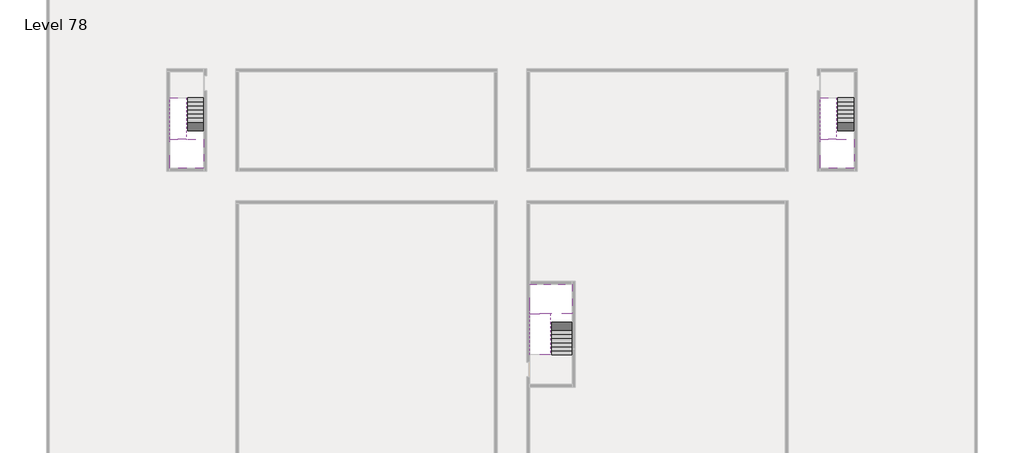
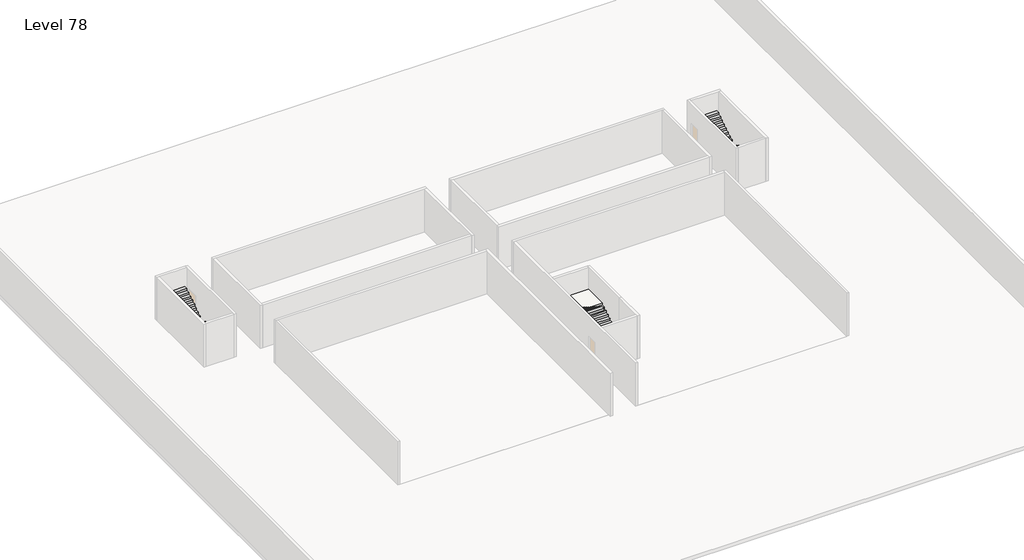
# One storey, part 2 of 2: 6 stair flights, 3 slabs.
"""IFC4 building model written with IfcOpenShell, lengths in millimetres."""

from ifc_helpers import new_model, si_unit, origin, place, context, project, spatial, faceted_brep, element, save

model = new_model("IFC4")

# Units and contexts
model_context = context("Model", 3, world=origin())
ifc_project = project(units=[si_unit("LENGTHUNIT", "METRE", prefix="MILLI")], contexts=[model_context])

# Site, building, storey
site = spatial("IfcSite", under=ifc_project)
building = spatial("IfcBuilding", under=site)
storey = spatial("IfcBuildingStorey", under=building, Name="Level 78", Elevation=292600.0)

# Slabs
placement = place(None, origin())
element("IfcSlab", 1, at=placement, inside=storey, context=model_context, shape_type="Brep", body=[
    faceted_brep([(3190.1058784, -28518.09644, 294500.0), (2090.1058784, -28518.09644, 294500.0), (1990.1058784, -28518.09644, 294500.0), (890.1058784, -28518.09644, 294500.0), (890.1058784, -28718.7100038, 294500.0), (890.1058784, -30518.09644, 294500.0), (3190.1058784, -30518.09644, 294500.0), (3190.1058784, -28597.4828763, 294500.0), (3190.1058784, -28518.09644, 294327.2727273), (3190.1058784, -28518.09644, 294151.0278478), (2090.1058784, -28518.09644, 294151.0278478), (2090.1058784, -28518.09644, 294200.0), (1990.1058784, -28518.09644, 294200.0), (1990.1058784, -28518.09644, 294323.7551205), (890.1058784, -28518.09644, 294323.7551205), (890.1058784, -28718.7100038, 294200.0), (890.1058784, -30518.09644, 294200.0), (3190.1058784, -30518.09644, 294200.0), (3190.1058784, -28597.4828763, 294200.0), (1990.1058784, -28718.7100038, 294200.0), (2090.1058784, -28597.4828763, 294200.0)], [[[0, 1, 2, 3, 4, 5, 6, 7]], [[1, 0, 8, 9, 10, 11]], [[2, 1, 11, 12, 13]], [[3, 2, 13, 14]], [[3, 14, 15, 16, 5, 4]], [[6, 5, 16, 17]], [[9, 8, 0, 7, 6, 17, 18]], [[19, 12, 11, 20, 18, 17, 16, 15]], [[12, 19, 13]], [[18, 20, 10, 9]], [[20, 11, 10]], [[19, 15, 14, 13]]]),
])
element("IfcSlab", 2, at=placement, inside=storey, context=model_context, shape_type="Brep", body=[
    faceted_brep([(47490.1058784, -28518.09644, 294500.0), (46390.1058784, -28518.09644, 294500.0), (46290.1058784, -28518.09644, 294500.0), (45190.1058784, -28518.09644, 294500.0), (45190.1058784, -28718.7100038, 294500.0), (45190.1058784, -30518.09644, 294500.0), (47490.1058784, -30518.09644, 294500.0), (47490.1058784, -28597.4828763, 294500.0), (47490.1058784, -28518.09644, 294327.2727273), (47490.1058784, -28518.09644, 294151.0278478), (46390.1058784, -28518.09644, 294151.0278478), (46390.1058784, -28518.09644, 294200.0), (46290.1058784, -28518.09644, 294200.0), (46290.1058784, -28518.09644, 294323.7551205), (45190.1058784, -28518.09644, 294323.7551205), (45190.1058784, -28718.7100038, 294200.0), (45190.1058784, -30518.09644, 294200.0), (47490.1058784, -30518.09644, 294200.0), (47490.1058784, -28597.4828763, 294200.0), (46290.1058784, -28718.7100038, 294200.0), (46390.1058784, -28597.4828763, 294200.0)], [[[0, 1, 2, 3, 4, 5, 6, 7]], [[1, 0, 8, 9, 10, 11]], [[2, 1, 11, 12, 13]], [[3, 2, 13, 14]], [[3, 14, 15, 16, 5, 4]], [[6, 5, 16, 17]], [[9, 8, 0, 7, 6, 17, 18]], [[19, 12, 11, 20, 18, 17, 16, 15]], [[12, 19, 13]], [[18, 20, 10, 9]], [[20, 11, 10]], [[19, 15, 14, 13]]]),
])
element("IfcSlab", 3, at=placement, inside=storey, context=model_context, shape_type="Brep", body=[
    faceted_brep([(26890.1058784, -40418.09644, 294500.0), (28290.1058784, -40418.09644, 294500.0), (28290.1058784, -40338.7100038, 294500.0), (28290.1058784, -38418.09644, 294500.0), (25390.1058784, -38418.09644, 294500.0), (25390.1058784, -40217.4828763, 294500.0), (25390.1058784, -40418.09644, 294500.0), (26790.1058784, -40418.09644, 294500.0), (26890.1058784, -40418.09644, 294200.0), (26890.1058784, -40418.09644, 294151.0278478), (28290.1058784, -40418.09644, 294151.0278478), (28290.1058784, -40418.09644, 294327.2727273), (28290.1058784, -40338.7100038, 294200.0), (28290.1058784, -38418.09644, 294200.0), (25390.1058784, -38418.09644, 294200.0), (25390.1058784, -40217.4828763, 294200.0), (25390.1058784, -40418.09644, 294323.7551205), (26790.1058784, -40418.09644, 294323.7551205), (26790.1058784, -40418.09644, 294200.0), (26790.1058784, -40217.4828763, 294200.0), (26890.1058784, -40338.7100038, 294200.0)], [[[0, 1, 2, 3, 4, 5, 6, 7]], [[1, 0, 8, 9, 10, 11]], [[1, 11, 10, 12, 13, 3, 2]], [[4, 3, 13, 14]], [[4, 14, 15, 16, 6, 5]], [[7, 6, 16, 17]], [[0, 7, 17, 18, 8]], [[18, 19, 15, 14, 13, 12, 20, 8]], [[19, 18, 17]], [[20, 12, 10, 9]], [[8, 20, 9]], [[15, 19, 17, 16]]]),
])

# Stair flights
element("IfcStairFlight", 4, at=placement, inside=storey, context=model_context, shape_type="Brep", body=[
    faceted_brep([(3190.1058784, -25998.09644, 292772.7272727), (3190.1058784, -25718.09644, 292772.7272727), (2090.1058784, -25718.09644, 292772.7272727), (2090.1058784, -25998.09644, 292772.7272727), (3190.1058784, -25998.09644, 292600.0), (3190.1058784, -25718.09644, 292600.0), (2090.1058784, -25718.09644, 292600.0), (2090.1058784, -25998.09644, 292600.0), (3190.1058784, -26278.09644, 292945.4545455), (3190.1058784, -25998.09644, 292945.4545455), (2090.1058784, -25998.09644, 292945.4545455), (2090.1058784, -26278.09644, 292945.4545455), (3190.1058784, -26278.09644, 292769.209666), (3190.1058784, -26003.7986657, 292600.0), (2090.1058784, -26003.7986657, 292600.0), (2090.1058784, -26278.09644, 292769.209666), (3190.1058784, -26558.09644, 293118.1818182), (3190.1058784, -26278.09644, 293118.1818182), (2090.1058784, -26278.09644, 293118.1818182), (2090.1058784, -26558.09644, 293118.1818182), (3190.1058784, -26558.09644, 292941.9369387), (2090.1058784, -26558.09644, 292941.9369387), (3190.1058784, -26838.09644, 293290.9090909), (3190.1058784, -26558.09644, 293290.9090909), (2090.1058784, -26558.09644, 293290.9090909), (2090.1058784, -26838.09644, 293290.9090909), (3190.1058784, -26838.09644, 293114.6642114), (2090.1058784, -26838.09644, 293114.6642114), (3190.1058784, -27118.09644, 293463.6363636), (3190.1058784, -26838.09644, 293463.6363636), (2090.1058784, -26838.09644, 293463.6363636), (2090.1058784, -27118.09644, 293463.6363636), (3190.1058784, -27118.09644, 293287.3914841), (2090.1058784, -27118.09644, 293287.3914841), (3190.1058784, -27398.09644, 293636.3636364), (3190.1058784, -27118.09644, 293636.3636364), (2090.1058784, -27118.09644, 293636.3636364), (2090.1058784, -27398.09644, 293636.3636364), (3190.1058784, -27398.09644, 293460.1187569), (2090.1058784, -27398.09644, 293460.1187569), (3190.1058784, -27678.09644, 293809.0909091), (3190.1058784, -27398.09644, 293809.0909091), (2090.1058784, -27398.09644, 293809.0909091), (2090.1058784, -27678.09644, 293809.0909091), (3190.1058784, -27678.09644, 293632.8460296), (2090.1058784, -27678.09644, 293632.8460296), (3190.1058784, -27958.09644, 293981.8181818), (3190.1058784, -27678.09644, 293981.8181818), (2090.1058784, -27678.09644, 293981.8181818), (2090.1058784, -27958.09644, 293981.8181818), (3190.1058784, -27958.09644, 293805.5733023), (2090.1058784, -27958.09644, 293805.5733023), (3190.1058784, -28238.09644, 294154.5454545), (3190.1058784, -27958.09644, 294154.5454545), (2090.1058784, -27958.09644, 294154.5454545), (2090.1058784, -28238.09644, 294154.5454545), (3190.1058784, -28238.09644, 293978.3005751), (2090.1058784, -28238.09644, 293978.3005751), (3190.1058784, -28518.09644, 294327.2727273), (3190.1058784, -28238.09644, 294327.2727273), (2090.1058784, -28238.09644, 294327.2727273), (2090.1058784, -28518.09644, 294327.2727273), (3190.1058784, -28518.09644, 294151.0278478), (2090.1058784, -28518.09644, 294151.0278478), (2090.1058784, -28518.09644, 294200.0)], [[[0, 1, 2, 3]], [[1, 0, 4, 5]], [[2, 1, 5, 6]], [[3, 2, 6, 7]], [[8, 9, 10, 11]], [[4, 0, 9, 8, 12, 13]], [[0, 3, 10, 9]], [[3, 7, 14, 15, 11, 10]], [[16, 17, 18, 19]], [[17, 16, 20, 12, 8]], [[8, 11, 18, 17]], [[19, 18, 11, 15, 21]], [[22, 23, 24, 25]], [[23, 22, 26, 20, 16]], [[16, 19, 24, 23]], [[25, 24, 19, 21, 27]], [[28, 29, 30, 31]], [[29, 28, 32, 26, 22]], [[22, 25, 30, 29]], [[31, 30, 25, 27, 33]], [[34, 35, 36, 37]], [[35, 34, 38, 32, 28]], [[28, 31, 36, 35]], [[37, 36, 31, 33, 39]], [[40, 41, 42, 43]], [[41, 40, 44, 38, 34]], [[34, 37, 42, 41]], [[43, 42, 37, 39, 45]], [[46, 47, 48, 49]], [[47, 46, 50, 44, 40]], [[40, 43, 48, 47]], [[49, 48, 43, 45, 51]], [[52, 53, 54, 55]], [[53, 52, 56, 50, 46]], [[46, 49, 54, 53]], [[55, 54, 49, 51, 57]], [[58, 59, 60, 61]], [[59, 58, 62, 56, 52]], [[52, 55, 60, 59]], [[61, 60, 55, 57, 63, 64]], [[58, 61, 64, 63, 62]], [[5, 4, 13, 14, 7, 6]], [[14, 13, 12, 20, 26, 32, 38, 44, 50, 56, 62, 63, 57, 51, 45, 39, 33, 27, 21, 15]]]),
])
element("IfcStairFlight", 5, at=placement, inside=storey, context=model_context, shape_type="Brep", body=[
    faceted_brep([(890.1058784, -28238.09644, 294672.7272727), (890.1058784, -28518.09644, 294672.7272727), (1990.1058784, -28518.09644, 294672.7272727), (1990.1058784, -28238.09644, 294672.7272727), (890.1058784, -28238.09644, 294496.4823932), (890.1058784, -28518.09644, 294323.7551205), (890.1058784, -28518.09644, 294500.0), (1990.1058784, -28518.09644, 294323.7551205), (1990.1058784, -28238.09644, 294496.4823932), (890.1058784, -27958.09644, 294845.4545455), (890.1058784, -28238.09644, 294845.4545455), (1990.1058784, -28238.09644, 294845.4545455), (1990.1058784, -27958.09644, 294845.4545455), (890.1058784, -27958.09644, 294669.209666), (1990.1058784, -27958.09644, 294669.209666), (890.1058784, -27678.09644, 295018.1818182), (890.1058784, -27958.09644, 295018.1818182), (1990.1058784, -27958.09644, 295018.1818182), (1990.1058784, -27678.09644, 295018.1818182), (890.1058784, -27678.09644, 294841.9369387), (1990.1058784, -27678.09644, 294841.9369387), (890.1058784, -27398.09644, 295190.9090909), (890.1058784, -27678.09644, 295190.9090909), (1990.1058784, -27678.09644, 295190.9090909), (1990.1058784, -27398.09644, 295190.9090909), (890.1058784, -27398.09644, 295014.6642114), (1990.1058784, -27398.09644, 295014.6642114), (890.1058784, -27118.09644, 295363.6363636), (890.1058784, -27398.09644, 295363.6363636), (1990.1058784, -27398.09644, 295363.6363636), (1990.1058784, -27118.09644, 295363.6363636), (890.1058784, -27118.09644, 295187.3914841), (1990.1058784, -27118.09644, 295187.3914841), (890.1058784, -26838.09644, 295536.3636364), (890.1058784, -27118.09644, 295536.3636364), (1990.1058784, -27118.09644, 295536.3636364), (1990.1058784, -26838.09644, 295536.3636364), (890.1058784, -26838.09644, 295360.1187569), (1990.1058784, -26838.09644, 295360.1187569), (890.1058784, -26558.09644, 295709.0909091), (890.1058784, -26838.09644, 295709.0909091), (1990.1058784, -26838.09644, 295709.0909091), (1990.1058784, -26558.09644, 295709.0909091), (890.1058784, -26558.09644, 295532.8460296), (1990.1058784, -26558.09644, 295532.8460296), (890.1058784, -26278.09644, 295881.8181818), (890.1058784, -26558.09644, 295881.8181818), (1990.1058784, -26558.09644, 295881.8181818), (1990.1058784, -26278.09644, 295881.8181818), (890.1058784, -26278.09644, 295705.5733023), (1990.1058784, -26278.09644, 295705.5733023), (890.1058784, -25998.09644, 296054.5454545), (890.1058784, -26278.09644, 296054.5454545), (1990.1058784, -26278.09644, 296054.5454545), (1990.1058784, -25998.09644, 296054.5454545), (890.1058784, -25998.09644, 295878.3005751), (1990.1058784, -25998.09644, 295878.3005751), (890.1058784, -25718.09644, 296227.2727273), (890.1058784, -25998.09644, 296227.2727273), (1990.1058784, -25998.09644, 296227.2727273), (1990.1058784, -25718.09644, 296227.2727273), (890.1058784, -25718.09644, 296051.0278478), (1990.1058784, -25718.09644, 296051.0278478)], [[[0, 1, 2, 3]], [[1, 0, 4, 5, 6]], [[2, 1, 6, 5, 7]], [[3, 2, 7, 8]], [[9, 10, 11, 12]], [[10, 9, 13, 4, 0]], [[11, 10, 0, 3]], [[12, 11, 3, 8, 14]], [[15, 16, 17, 18]], [[16, 15, 19, 13, 9]], [[17, 16, 9, 12]], [[18, 17, 12, 14, 20]], [[21, 22, 23, 24]], [[22, 21, 25, 19, 15]], [[23, 22, 15, 18]], [[24, 23, 18, 20, 26]], [[27, 28, 29, 30]], [[28, 27, 31, 25, 21]], [[29, 28, 21, 24]], [[30, 29, 24, 26, 32]], [[33, 34, 35, 36]], [[34, 33, 37, 31, 27]], [[35, 34, 27, 30]], [[36, 35, 30, 32, 38]], [[39, 40, 41, 42]], [[40, 39, 43, 37, 33]], [[41, 40, 33, 36]], [[42, 41, 36, 38, 44]], [[45, 46, 47, 48]], [[46, 45, 49, 43, 39]], [[47, 46, 39, 42]], [[48, 47, 42, 44, 50]], [[51, 52, 53, 54]], [[52, 51, 55, 49, 45]], [[53, 52, 45, 48]], [[54, 53, 48, 50, 56]], [[57, 58, 59, 60]], [[58, 57, 61, 55, 51]], [[59, 58, 51, 54]], [[60, 59, 54, 56, 62]], [[57, 60, 62, 61]], [[5, 4, 13, 19, 25, 31, 37, 43, 49, 55, 61, 62, 56, 50, 44, 38, 32, 26, 20, 14, 8, 7]]]),
])
element("IfcStairFlight", 6, at=placement, inside=storey, context=model_context, shape_type="Brep", body=[
    faceted_brep([(47490.1058784, -25998.09644, 292772.7272727), (47490.1058784, -25718.09644, 292772.7272727), (46390.1058784, -25718.09644, 292772.7272727), (46390.1058784, -25998.09644, 292772.7272727), (47490.1058784, -25998.09644, 292600.0), (47490.1058784, -25718.09644, 292600.0), (46390.1058784, -25718.09644, 292600.0), (46390.1058784, -25998.09644, 292600.0), (47490.1058784, -26278.09644, 292945.4545455), (47490.1058784, -25998.09644, 292945.4545455), (46390.1058784, -25998.09644, 292945.4545455), (46390.1058784, -26278.09644, 292945.4545455), (47490.1058784, -26278.09644, 292769.209666), (47490.1058784, -26003.7986657, 292600.0), (46390.1058784, -26003.7986657, 292600.0), (46390.1058784, -26278.09644, 292769.209666), (47490.1058784, -26558.09644, 293118.1818182), (47490.1058784, -26278.09644, 293118.1818182), (46390.1058784, -26278.09644, 293118.1818182), (46390.1058784, -26558.09644, 293118.1818182), (47490.1058784, -26558.09644, 292941.9369387), (46390.1058784, -26558.09644, 292941.9369387), (47490.1058784, -26838.09644, 293290.9090909), (47490.1058784, -26558.09644, 293290.9090909), (46390.1058784, -26558.09644, 293290.9090909), (46390.1058784, -26838.09644, 293290.9090909), (47490.1058784, -26838.09644, 293114.6642114), (46390.1058784, -26838.09644, 293114.6642114), (47490.1058784, -27118.09644, 293463.6363636), (47490.1058784, -26838.09644, 293463.6363636), (46390.1058784, -26838.09644, 293463.6363636), (46390.1058784, -27118.09644, 293463.6363636), (47490.1058784, -27118.09644, 293287.3914841), (46390.1058784, -27118.09644, 293287.3914841), (47490.1058784, -27398.09644, 293636.3636364), (47490.1058784, -27118.09644, 293636.3636364), (46390.1058784, -27118.09644, 293636.3636364), (46390.1058784, -27398.09644, 293636.3636364), (47490.1058784, -27398.09644, 293460.1187569), (46390.1058784, -27398.09644, 293460.1187569), (47490.1058784, -27678.09644, 293809.0909091), (47490.1058784, -27398.09644, 293809.0909091), (46390.1058784, -27398.09644, 293809.0909091), (46390.1058784, -27678.09644, 293809.0909091), (47490.1058784, -27678.09644, 293632.8460296), (46390.1058784, -27678.09644, 293632.8460296), (47490.1058784, -27958.09644, 293981.8181818), (47490.1058784, -27678.09644, 293981.8181818), (46390.1058784, -27678.09644, 293981.8181818), (46390.1058784, -27958.09644, 293981.8181818), (47490.1058784, -27958.09644, 293805.5733023), (46390.1058784, -27958.09644, 293805.5733023), (47490.1058784, -28238.09644, 294154.5454545), (47490.1058784, -27958.09644, 294154.5454545), (46390.1058784, -27958.09644, 294154.5454545), (46390.1058784, -28238.09644, 294154.5454545), (47490.1058784, -28238.09644, 293978.3005751), (46390.1058784, -28238.09644, 293978.3005751), (47490.1058784, -28518.09644, 294327.2727273), (47490.1058784, -28238.09644, 294327.2727273), (46390.1058784, -28238.09644, 294327.2727273), (46390.1058784, -28518.09644, 294327.2727273), (47490.1058784, -28518.09644, 294151.0278478), (46390.1058784, -28518.09644, 294151.0278478), (46390.1058784, -28518.09644, 294200.0)], [[[0, 1, 2, 3]], [[1, 0, 4, 5]], [[2, 1, 5, 6]], [[3, 2, 6, 7]], [[8, 9, 10, 11]], [[4, 0, 9, 8, 12, 13]], [[0, 3, 10, 9]], [[3, 7, 14, 15, 11, 10]], [[16, 17, 18, 19]], [[17, 16, 20, 12, 8]], [[8, 11, 18, 17]], [[19, 18, 11, 15, 21]], [[22, 23, 24, 25]], [[23, 22, 26, 20, 16]], [[16, 19, 24, 23]], [[25, 24, 19, 21, 27]], [[28, 29, 30, 31]], [[29, 28, 32, 26, 22]], [[22, 25, 30, 29]], [[31, 30, 25, 27, 33]], [[34, 35, 36, 37]], [[35, 34, 38, 32, 28]], [[28, 31, 36, 35]], [[37, 36, 31, 33, 39]], [[40, 41, 42, 43]], [[41, 40, 44, 38, 34]], [[34, 37, 42, 41]], [[43, 42, 37, 39, 45]], [[46, 47, 48, 49]], [[47, 46, 50, 44, 40]], [[40, 43, 48, 47]], [[49, 48, 43, 45, 51]], [[52, 53, 54, 55]], [[53, 52, 56, 50, 46]], [[46, 49, 54, 53]], [[55, 54, 49, 51, 57]], [[58, 59, 60, 61]], [[59, 58, 62, 56, 52]], [[52, 55, 60, 59]], [[61, 60, 55, 57, 63, 64]], [[58, 61, 64, 63, 62]], [[5, 4, 13, 14, 7, 6]], [[14, 13, 12, 20, 26, 32, 38, 44, 50, 56, 62, 63, 57, 51, 45, 39, 33, 27, 21, 15]]]),
])
element("IfcStairFlight", 7, at=placement, inside=storey, context=model_context, shape_type="Brep", body=[
    faceted_brep([(45190.1058784, -28238.09644, 294672.7272727), (45190.1058784, -28518.09644, 294672.7272727), (46290.1058784, -28518.09644, 294672.7272727), (46290.1058784, -28238.09644, 294672.7272727), (45190.1058784, -28238.09644, 294496.4823932), (45190.1058784, -28518.09644, 294323.7551205), (45190.1058784, -28518.09644, 294500.0), (46290.1058784, -28518.09644, 294323.7551205), (46290.1058784, -28238.09644, 294496.4823932), (45190.1058784, -27958.09644, 294845.4545455), (45190.1058784, -28238.09644, 294845.4545455), (46290.1058784, -28238.09644, 294845.4545455), (46290.1058784, -27958.09644, 294845.4545455), (45190.1058784, -27958.09644, 294669.209666), (46290.1058784, -27958.09644, 294669.209666), (45190.1058784, -27678.09644, 295018.1818182), (45190.1058784, -27958.09644, 295018.1818182), (46290.1058784, -27958.09644, 295018.1818182), (46290.1058784, -27678.09644, 295018.1818182), (45190.1058784, -27678.09644, 294841.9369387), (46290.1058784, -27678.09644, 294841.9369387), (45190.1058784, -27398.09644, 295190.9090909), (45190.1058784, -27678.09644, 295190.9090909), (46290.1058784, -27678.09644, 295190.9090909), (46290.1058784, -27398.09644, 295190.9090909), (45190.1058784, -27398.09644, 295014.6642114), (46290.1058784, -27398.09644, 295014.6642114), (45190.1058784, -27118.09644, 295363.6363636), (45190.1058784, -27398.09644, 295363.6363636), (46290.1058784, -27398.09644, 295363.6363636), (46290.1058784, -27118.09644, 295363.6363636), (45190.1058784, -27118.09644, 295187.3914841), (46290.1058784, -27118.09644, 295187.3914841), (45190.1058784, -26838.09644, 295536.3636364), (45190.1058784, -27118.09644, 295536.3636364), (46290.1058784, -27118.09644, 295536.3636364), (46290.1058784, -26838.09644, 295536.3636364), (45190.1058784, -26838.09644, 295360.1187569), (46290.1058784, -26838.09644, 295360.1187569), (45190.1058784, -26558.09644, 295709.0909091), (45190.1058784, -26838.09644, 295709.0909091), (46290.1058784, -26838.09644, 295709.0909091), (46290.1058784, -26558.09644, 295709.0909091), (45190.1058784, -26558.09644, 295532.8460296), (46290.1058784, -26558.09644, 295532.8460296), (45190.1058784, -26278.09644, 295881.8181818), (45190.1058784, -26558.09644, 295881.8181818), (46290.1058784, -26558.09644, 295881.8181818), (46290.1058784, -26278.09644, 295881.8181818), (45190.1058784, -26278.09644, 295705.5733023), (46290.1058784, -26278.09644, 295705.5733023), (45190.1058784, -25998.09644, 296054.5454545), (45190.1058784, -26278.09644, 296054.5454545), (46290.1058784, -26278.09644, 296054.5454545), (46290.1058784, -25998.09644, 296054.5454545), (45190.1058784, -25998.09644, 295878.3005751), (46290.1058784, -25998.09644, 295878.3005751), (45190.1058784, -25718.09644, 296227.2727273), (45190.1058784, -25998.09644, 296227.2727273), (46290.1058784, -25998.09644, 296227.2727273), (46290.1058784, -25718.09644, 296227.2727273), (45190.1058784, -25718.09644, 296051.0278478), (46290.1058784, -25718.09644, 296051.0278478)], [[[0, 1, 2, 3]], [[1, 0, 4, 5, 6]], [[2, 1, 6, 5, 7]], [[3, 2, 7, 8]], [[9, 10, 11, 12]], [[10, 9, 13, 4, 0]], [[11, 10, 0, 3]], [[12, 11, 3, 8, 14]], [[15, 16, 17, 18]], [[16, 15, 19, 13, 9]], [[17, 16, 9, 12]], [[18, 17, 12, 14, 20]], [[21, 22, 23, 24]], [[22, 21, 25, 19, 15]], [[23, 22, 15, 18]], [[24, 23, 18, 20, 26]], [[27, 28, 29, 30]], [[28, 27, 31, 25, 21]], [[29, 28, 21, 24]], [[30, 29, 24, 26, 32]], [[33, 34, 35, 36]], [[34, 33, 37, 31, 27]], [[35, 34, 27, 30]], [[36, 35, 30, 32, 38]], [[39, 40, 41, 42]], [[40, 39, 43, 37, 33]], [[41, 40, 33, 36]], [[42, 41, 36, 38, 44]], [[45, 46, 47, 48]], [[46, 45, 49, 43, 39]], [[47, 46, 39, 42]], [[48, 47, 42, 44, 50]], [[51, 52, 53, 54]], [[52, 51, 55, 49, 45]], [[53, 52, 45, 48]], [[54, 53, 48, 50, 56]], [[57, 58, 59, 60]], [[58, 57, 61, 55, 51]], [[59, 58, 51, 54]], [[60, 59, 54, 56, 62]], [[57, 60, 62, 61]], [[5, 4, 13, 19, 25, 31, 37, 43, 49, 55, 61, 62, 56, 50, 44, 38, 32, 26, 20, 14, 8, 7]]]),
])
element("IfcStairFlight", 8, at=placement, inside=storey, context=model_context, shape_type="Brep", body=[
    faceted_brep([(26890.1058784, -42938.09644, 292772.7272727), (26890.1058784, -43218.09644, 292772.7272727), (28290.1058784, -43218.09644, 292772.7272727), (28290.1058784, -42938.09644, 292772.7272727), (26890.1058784, -42938.09644, 292600.0), (26890.1058784, -43218.09644, 292600.0), (28290.1058784, -43218.09644, 292600.0), (28290.1058784, -42938.09644, 292600.0), (26890.1058784, -42658.09644, 292945.4545455), (26890.1058784, -42938.09644, 292945.4545455), (28290.1058784, -42938.09644, 292945.4545455), (28290.1058784, -42658.09644, 292945.4545455), (26890.1058784, -42658.09644, 292769.209666), (26890.1058784, -42932.3942143, 292600.0), (28290.1058784, -42932.3942143, 292600.0), (28290.1058784, -42658.09644, 292769.209666), (26890.1058784, -42378.09644, 293118.1818182), (26890.1058784, -42658.09644, 293118.1818182), (28290.1058784, -42658.09644, 293118.1818182), (28290.1058784, -42378.09644, 293118.1818182), (26890.1058784, -42378.09644, 292941.9369387), (28290.1058784, -42378.09644, 292941.9369387), (26890.1058784, -42098.09644, 293290.9090909), (26890.1058784, -42378.09644, 293290.9090909), (28290.1058784, -42378.09644, 293290.9090909), (28290.1058784, -42098.09644, 293290.9090909), (26890.1058784, -42098.09644, 293114.6642114), (28290.1058784, -42098.09644, 293114.6642114), (26890.1058784, -41818.09644, 293463.6363636), (26890.1058784, -42098.09644, 293463.6363636), (28290.1058784, -42098.09644, 293463.6363636), (28290.1058784, -41818.09644, 293463.6363636), (26890.1058784, -41818.09644, 293287.3914841), (28290.1058784, -41818.09644, 293287.3914841), (26890.1058784, -41538.09644, 293636.3636364), (26890.1058784, -41818.09644, 293636.3636364), (28290.1058784, -41818.09644, 293636.3636364), (28290.1058784, -41538.09644, 293636.3636364), (26890.1058784, -41538.09644, 293460.1187569), (28290.1058784, -41538.09644, 293460.1187569), (26890.1058784, -41258.09644, 293809.0909091), (26890.1058784, -41538.09644, 293809.0909091), (28290.1058784, -41538.09644, 293809.0909091), (28290.1058784, -41258.09644, 293809.0909091), (26890.1058784, -41258.09644, 293632.8460296), (28290.1058784, -41258.09644, 293632.8460296), (26890.1058784, -40978.09644, 293981.8181818), (26890.1058784, -41258.09644, 293981.8181818), (28290.1058784, -41258.09644, 293981.8181818), (28290.1058784, -40978.09644, 293981.8181818), (26890.1058784, -40978.09644, 293805.5733023), (28290.1058784, -40978.09644, 293805.5733023), (26890.1058784, -40698.09644, 294154.5454545), (26890.1058784, -40978.09644, 294154.5454545), (28290.1058784, -40978.09644, 294154.5454545), (28290.1058784, -40698.09644, 294154.5454545), (26890.1058784, -40698.09644, 293978.3005751), (28290.1058784, -40698.09644, 293978.3005751), (26890.1058784, -40418.09644, 294327.2727273), (26890.1058784, -40698.09644, 294327.2727273), (28290.1058784, -40698.09644, 294327.2727273), (28290.1058784, -40418.09644, 294327.2727273), (26890.1058784, -40418.09644, 294200.0), (26890.1058784, -40418.09644, 294151.0278478), (28290.1058784, -40418.09644, 294151.0278478)], [[[0, 1, 2, 3]], [[1, 0, 4, 5]], [[2, 1, 5, 6]], [[3, 2, 6, 7]], [[8, 9, 10, 11]], [[4, 0, 9, 8, 12, 13]], [[0, 3, 10, 9]], [[3, 7, 14, 15, 11, 10]], [[16, 17, 18, 19]], [[17, 16, 20, 12, 8]], [[8, 11, 18, 17]], [[19, 18, 11, 15, 21]], [[22, 23, 24, 25]], [[23, 22, 26, 20, 16]], [[16, 19, 24, 23]], [[25, 24, 19, 21, 27]], [[28, 29, 30, 31]], [[29, 28, 32, 26, 22]], [[22, 25, 30, 29]], [[31, 30, 25, 27, 33]], [[34, 35, 36, 37]], [[35, 34, 38, 32, 28]], [[28, 31, 36, 35]], [[37, 36, 31, 33, 39]], [[40, 41, 42, 43]], [[41, 40, 44, 38, 34]], [[34, 37, 42, 41]], [[43, 42, 37, 39, 45]], [[46, 47, 48, 49]], [[47, 46, 50, 44, 40]], [[40, 43, 48, 47]], [[49, 48, 43, 45, 51]], [[52, 53, 54, 55]], [[53, 52, 56, 50, 46]], [[46, 49, 54, 53]], [[55, 54, 49, 51, 57]], [[58, 59, 60, 61]], [[59, 58, 62, 63, 56, 52]], [[52, 55, 60, 59]], [[61, 60, 55, 57, 64]], [[58, 61, 64, 63, 62]], [[5, 4, 13, 14, 7, 6]], [[14, 13, 12, 20, 26, 32, 38, 44, 50, 56, 63, 64, 57, 51, 45, 39, 33, 27, 21, 15]]]),
])
element("IfcStairFlight", 9, at=placement, inside=storey, context=model_context, shape_type="Brep", body=[
    faceted_brep([(26790.1058784, -40698.09644, 294672.7272727), (26790.1058784, -40418.09644, 294672.7272727), (25390.1058784, -40418.09644, 294672.7272727), (25390.1058784, -40698.09644, 294672.7272727), (26790.1058784, -40698.09644, 294496.4823932), (26790.1058784, -40418.09644, 294323.7551205), (25390.1058784, -40418.09644, 294323.7551205), (25390.1058784, -40418.09644, 294500.0), (25390.1058784, -40698.09644, 294496.4823932), (26790.1058784, -40978.09644, 294845.4545455), (26790.1058784, -40698.09644, 294845.4545455), (25390.1058784, -40698.09644, 294845.4545455), (25390.1058784, -40978.09644, 294845.4545455), (26790.1058784, -40978.09644, 294669.209666), (25390.1058784, -40978.09644, 294669.209666), (26790.1058784, -41258.09644, 295018.1818182), (26790.1058784, -40978.09644, 295018.1818182), (25390.1058784, -40978.09644, 295018.1818182), (25390.1058784, -41258.09644, 295018.1818182), (26790.1058784, -41258.09644, 294841.9369387), (25390.1058784, -41258.09644, 294841.9369387), (26790.1058784, -41538.09644, 295190.9090909), (26790.1058784, -41258.09644, 295190.9090909), (25390.1058784, -41258.09644, 295190.9090909), (25390.1058784, -41538.09644, 295190.9090909), (26790.1058784, -41538.09644, 295014.6642114), (25390.1058784, -41538.09644, 295014.6642114), (26790.1058784, -41818.09644, 295363.6363636), (26790.1058784, -41538.09644, 295363.6363636), (25390.1058784, -41538.09644, 295363.6363636), (25390.1058784, -41818.09644, 295363.6363636), (26790.1058784, -41818.09644, 295187.3914841), (25390.1058784, -41818.09644, 295187.3914841), (26790.1058784, -42098.09644, 295536.3636364), (26790.1058784, -41818.09644, 295536.3636364), (25390.1058784, -41818.09644, 295536.3636364), (25390.1058784, -42098.09644, 295536.3636364), (26790.1058784, -42098.09644, 295360.1187569), (25390.1058784, -42098.09644, 295360.1187569), (26790.1058784, -42378.09644, 295709.0909091), (26790.1058784, -42098.09644, 295709.0909091), (25390.1058784, -42098.09644, 295709.0909091), (25390.1058784, -42378.09644, 295709.0909091), (26790.1058784, -42378.09644, 295532.8460296), (25390.1058784, -42378.09644, 295532.8460296), (26790.1058784, -42658.09644, 295881.8181818), (26790.1058784, -42378.09644, 295881.8181818), (25390.1058784, -42378.09644, 295881.8181818), (25390.1058784, -42658.09644, 295881.8181818), (26790.1058784, -42658.09644, 295705.5733023), (25390.1058784, -42658.09644, 295705.5733023), (26790.1058784, -42938.09644, 296054.5454545), (26790.1058784, -42658.09644, 296054.5454545), (25390.1058784, -42658.09644, 296054.5454545), (25390.1058784, -42938.09644, 296054.5454545), (26790.1058784, -42938.09644, 295878.3005751), (25390.1058784, -42938.09644, 295878.3005751), (26790.1058784, -43218.09644, 296227.2727273), (26790.1058784, -42938.09644, 296227.2727273), (25390.1058784, -42938.09644, 296227.2727273), (25390.1058784, -43218.09644, 296227.2727273), (26790.1058784, -43218.09644, 296051.0278478), (25390.1058784, -43218.09644, 296051.0278478)], [[[0, 1, 2, 3]], [[1, 0, 4, 5]], [[2, 1, 5, 6, 7]], [[3, 2, 7, 6, 8]], [[9, 10, 11, 12]], [[10, 9, 13, 4, 0]], [[11, 10, 0, 3]], [[12, 11, 3, 8, 14]], [[15, 16, 17, 18]], [[16, 15, 19, 13, 9]], [[17, 16, 9, 12]], [[18, 17, 12, 14, 20]], [[21, 22, 23, 24]], [[22, 21, 25, 19, 15]], [[23, 22, 15, 18]], [[24, 23, 18, 20, 26]], [[27, 28, 29, 30]], [[28, 27, 31, 25, 21]], [[29, 28, 21, 24]], [[30, 29, 24, 26, 32]], [[33, 34, 35, 36]], [[34, 33, 37, 31, 27]], [[35, 34, 27, 30]], [[36, 35, 30, 32, 38]], [[39, 40, 41, 42]], [[40, 39, 43, 37, 33]], [[41, 40, 33, 36]], [[42, 41, 36, 38, 44]], [[45, 46, 47, 48]], [[46, 45, 49, 43, 39]], [[47, 46, 39, 42]], [[48, 47, 42, 44, 50]], [[51, 52, 53, 54]], [[52, 51, 55, 49, 45]], [[53, 52, 45, 48]], [[54, 53, 48, 50, 56]], [[57, 58, 59, 60]], [[58, 57, 61, 55, 51]], [[59, 58, 51, 54]], [[60, 59, 54, 56, 62]], [[57, 60, 62, 61]], [[5, 4, 13, 19, 25, 31, 37, 43, 49, 55, 61, 62, 56, 50, 44, 38, 32, 26, 20, 14, 8, 6]]]),
])

save(model, "model.ifc")
